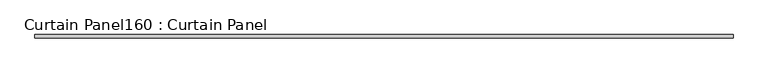
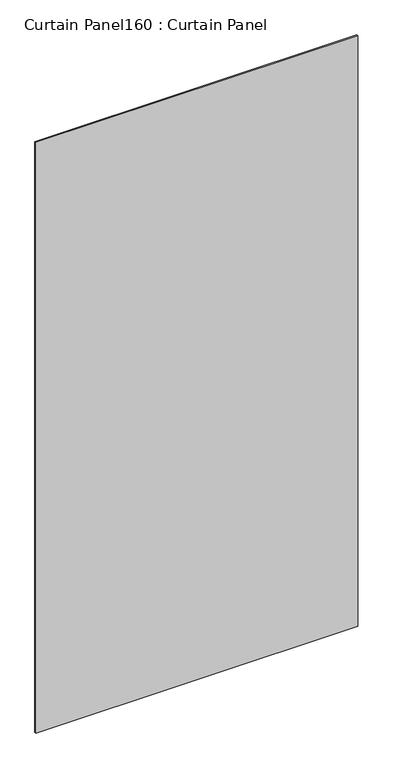
"""IFC4 building model written with IfcOpenShell, lengths in millimetres: plate geometry, Curtain Panel160 : Curtain Panel."""

from ifc_helpers import new_model, si_unit, frame, origin, place, context, project, spatial, polyline, outline, extrude, source, transform, mapped, element, save


def curtain_panel160_curtain_panel_d89642b3(model_context):
    return source(origin(), model_context, "Body", "SweptSolid", [
        extrude(outline(polyline([(439227.0085457, 2305.3839321), (434003.0243783, 2305.3839321), (434003.0243783, 2330.7839321), (439227.0085457, 2330.7839321), (439227.0085457, 2305.3839321)])), frame((0.0, 0.0, 5171.9382155), z_axis=(0.0, 0.0, 1.0), x_axis=(1.0, 0.0, 0.0)), (0.0, 0.0, 1.0), 10131.4759745),
    ])


if __name__ == "__main__":
    model = new_model("IFC4")
    model_context = context("Model", 3, world=origin())
    ifc_project = project(units=[si_unit("LENGTHUNIT", "METRE", prefix="MILLI")], contexts=[model_context])
    site = spatial("IfcSite", under=ifc_project)
    building = spatial("IfcBuilding", under=site)
    placement = place(None, origin())
    curtain_panel160_curtain_panel_shape = curtain_panel160_curtain_panel_d89642b3(model_context)
    element("IfcPlate", 1, ObjectType="Curtain Panel160 : Curtain Panel", at=placement, inside=building, context=model_context, shape_type="MappedRepresentation", body=[
        mapped(curtain_panel160_curtain_panel_shape, transform((0.0, 0.0, 0.0), x_axis=(1.0, 0.0, 0.0), y_axis=(0.0, 1.0, 0.0), z_axis=(0.0, 0.0, 1.0))),
    ])
    save(model, "model.ifc")
